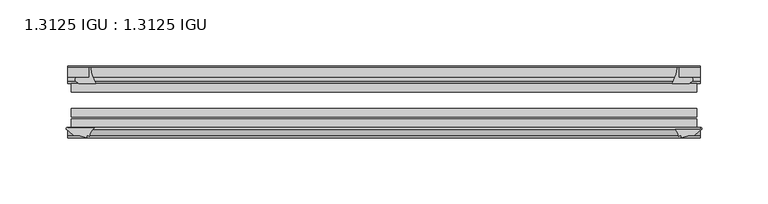
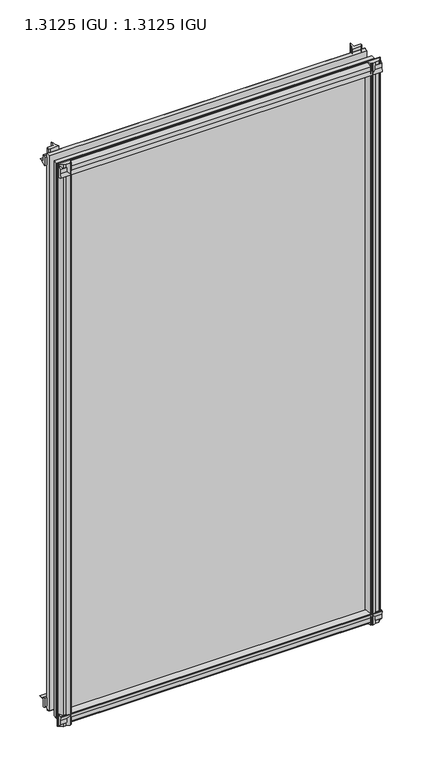
"""IFC4 building model written with IfcOpenShell, lengths in millimetres: plate geometry, 1.3125 IGU : 1.3125 IGU."""

from ifc_helpers import new_model, si_unit, point, frame, frame_2d, origin, place, context, project, spatial, polyline, circle_curve, trimmed, segment, composite_curve, outline, extrude, source, transform, mapped, element, save


def plate_1_3125_igu_1_3125_igu_eb586865(model_context):
    return source(origin(), model_context, "Body", "SweptSolid", [
        extrude(outline(composite_curve([segment(polyline([(-22.094825, 0.0), (-22.094825, -9.916835)]), True, "CONTINUOUS"), segment(trimmed(circle_curve(frame_2d((-23.669625, -9.916835)), 1.5748), [point((-22.094825, -9.916835))], [point((-24.8706146, -10.9354709))], False, "CARTESIAN"), True, "CONTINUOUS"), segment(polyline([(-24.8706146, -10.9354709), (-26.590625, -8.9075484), (-26.590625, 4.0446407)]), True, "CONTINUOUS"), segment(trimmed(circle_curve(frame_2d((-7.1839113, 38.4138813)), 39.4698015), [point((-26.590625, 4.0446407))], [point((-19.4504626, 0.8985917))], True, "CARTESIAN"), True, "CONTINUOUS"), segment(polyline([(-19.4504626, 0.8985917), (-13.3986538, 0.0), (-22.094825, 0.0)]), True, "CONTINUOUS")], self_intersect=False)), frame((-238.7893096, 0.0, 0.0), z_axis=(1.0, 0.0, 0.0), x_axis=(0.0, 1.0, 0.0)), (0.0, 0.0, 1.0), 477.5786192),
        extrude(outline(composite_curve([segment(trimmed(circle_curve(frame_2d((-67.8737919, 9.6311377)), 10.5748618), [point((-66.062225, -0.7874))], [point((-59.712225, 2.9068141))], True, "CARTESIAN"), True, "CONTINUOUS"), segment(polyline([(-59.712225, 2.9068141), (-59.712225, -18.0442511)]), True, "CONTINUOUS"), segment(trimmed(circle_curve(frame_2d((-60.728225, -18.0442511)), 1.016), [point((-59.712225, -18.0442511))], [point((-61.4950672, -18.7107412))], False, "CARTESIAN"), True, "CONTINUOUS"), segment(polyline([(-61.4950672, -18.7107412), (-66.062225, -13.4559149), (-66.062225, -7.4520336), (-67.637025, -1.5748), (-66.062225, -1.5748), (-66.062225, -0.7874)]), True, "CONTINUOUS")], self_intersect=False)), frame((-238.7893096, 0.0, 0.0), z_axis=(1.0, 0.0, 0.0), x_axis=(0.0, 1.0, 0.0)), (0.0, 0.0, 1.0), 477.5786192),
        extrude(outline(composite_curve([segment(polyline([(-66.062225, 857.9598774), (-61.4950672, 863.2147037)]), True, "CONTINUOUS"), segment(trimmed(circle_curve(frame_2d((-60.728225, 862.5482136)), 1.016), [point((-61.4950672, 863.2147037))], [point((-59.712225, 862.5482136))], False, "CARTESIAN"), True, "CONTINUOUS"), segment(polyline([(-59.712225, 862.5482136), (-59.712225, 842.0230921)]), True, "CONTINUOUS"), segment(trimmed(circle_curve(frame_2d((-66.4211348, 836.3932283)), 8.7581298), [point((-59.712225, 842.0230921))], [point((-66.062225, 845.1440009))], True, "CARTESIAN"), True, "CONTINUOUS"), segment(polyline([(-66.062225, 845.1440009), (-66.062225, 846.0787625), (-67.637025, 846.0787625), (-66.062225, 851.9559961), (-66.062225, 857.9598774)]), True, "CONTINUOUS")], self_intersect=False)), frame((-238.7893096, 0.0, 0.0), z_axis=(1.0, 0.0, 0.0), x_axis=(0.0, 1.0, 0.0)), (0.0, 0.0, 1.0), 477.5786192),
        extrude(outline(composite_curve([segment(polyline([(-26.590625, 840.4593218), (-26.590625, 853.4115109), (-24.8706146, 855.4394334)]), True, "CONTINUOUS"), segment(trimmed(circle_curve(frame_2d((-23.669625, 854.4207975)), 1.5748), [point((-24.8706146, 855.4394334))], [point((-22.094825, 854.4207975))], False, "CARTESIAN"), True, "CONTINUOUS"), segment(polyline([(-22.094825, 854.4207975), (-22.094825, 844.55), (-14.5883882, 844.55), (-18.3240316, 843.7633459)]), True, "CONTINUOUS"), segment(trimmed(circle_curve(frame_2d((-16.4585419, 831.134903)), 12.7654855), [point((-18.3240316, 843.7633459))], [point((-20.5939581, 843.2119869))], True, "CARTESIAN"), True, "CONTINUOUS"), segment(trimmed(circle_curve(frame_2d((-7.1839113, 806.0900812)), 39.4698015), [point((-20.5939581, 843.2119869))], [point((-26.590625, 840.4593218))], True, "CARTESIAN"), True, "CONTINUOUS")], self_intersect=False)), frame((-238.7893096, 0.0, 0.0), z_axis=(1.0, 0.0, 0.0), x_axis=(0.0, 1.0, 0.0)), (0.0, 0.0, 1.0), 477.5786192),
        extrude(outline(composite_curve([segment(polyline([(230.6283818, -26.590625), (217.6761926, -26.590625)]), True, "CONTINUOUS"), segment(trimmed(circle_curve(frame_2d((183.3069521, -7.1839113)), 39.4698015), [point((217.6761926, -26.590625))], [point((220.8222416, -19.4504626))], True, "CARTESIAN"), True, "CONTINUOUS"), segment(polyline([(220.8222416, -19.4504626), (221.4681167, -15.1006424)]), True, "CONTINUOUS"), segment(trimmed(circle_curve(frame_2d((222.2476021, -15.2120036)), 0.7874), [point((221.4681167, -15.1006424))], [point((222.5145833, -14.4712474))], False, "CARTESIAN"), True, "CONTINUOUS"), segment(polyline([(222.5145833, -14.4712474), (222.5145833, -22.094825), (231.6376683, -22.094825)]), True, "CONTINUOUS"), segment(trimmed(circle_curve(frame_2d((231.6376683, -23.669625)), 1.5748), [point((231.6376683, -22.094825))], [point((232.6563042, -24.8706146))], False, "CARTESIAN"), True, "CONTINUOUS"), segment(polyline([(232.6563042, -24.8706146), (230.6283818, -26.590625)]), True, "CONTINUOUS")], self_intersect=False)), frame((0.0, 0.0, -18.2728511), z_axis=(0.0, 0.0, 1.0), x_axis=(1.0, 0.0, 0.0)), (0.0, 0.0, 1.0), 882.1352548),
        extrude(outline(composite_curve([segment(polyline([(218.3698081, -59.712225), (238.9302349, -59.712225)]), True, "CONTINUOUS"), segment(trimmed(circle_curve(frame_2d((238.9302349, -60.728225)), 1.016), [point((238.9302349, -59.712225))], [point((239.5967249, -61.4950672))], False, "CARTESIAN"), True, "CONTINUOUS"), segment(polyline([(239.5967249, -61.4950672), (234.3418987, -66.062225), (230.3666669, -66.062225), (224.4894333, -67.637025), (224.4894333, -66.062225), (223.3990777, -66.062225)]), True, "CONTINUOUS"), segment(trimmed(circle_curve(frame_2d((223.3990777, -66.849625)), 0.7874), [point((223.3990777, -66.062225))], [point((222.6213719, -66.7264485))], True, "CARTESIAN"), True, "CONTINUOUS"), segment(trimmed(circle_curve(frame_2d((209.5560553, -69.8501675)), 13.4335445), [point((222.6213719, -66.7264485))], [point((218.3698081, -59.712225))], True, "CARTESIAN"), True, "CONTINUOUS")], self_intersect=False)), frame((0.0, 0.0, -18.2728511), z_axis=(0.0, 0.0, 1.0), x_axis=(1.0, 0.0, 0.0)), (0.0, 0.0, 1.0), 882.1352548),
        extrude(outline(composite_curve([segment(polyline([(-221.4681167, -15.1006424), (-220.9937017, -18.2957187)]), True, "CONTINUOUS"), segment(trimmed(circle_curve(frame_2d((-208.4314285, -16.4304327)), 12.7), [point((-220.9937017, -18.2957187))], [point((-220.4449569, -20.5493081))], True, "CARTESIAN"), True, "CONTINUOUS"), segment(trimmed(circle_curve(frame_2d((-183.3069521, -7.1839113)), 39.4698015), [point((-220.4449569, -20.5493081))], [point((-217.6761926, -26.590625))], True, "CARTESIAN"), True, "CONTINUOUS"), segment(polyline([(-217.6761926, -26.590625), (-230.6283818, -26.590625), (-232.6563042, -24.8706146)]), True, "CONTINUOUS"), segment(trimmed(circle_curve(frame_2d((-231.6376683, -23.669625)), 1.5748), [point((-232.6563042, -24.8706146))], [point((-231.6376683, -22.094825))], False, "CARTESIAN"), True, "CONTINUOUS"), segment(polyline([(-231.6376683, -22.094825), (-222.4828333, -22.094825), (-222.4828333, -14.4605617)]), True, "CONTINUOUS"), segment(trimmed(circle_curve(frame_2d((-222.2476021, -15.2120036)), 0.7874), [point((-222.4828333, -14.4605617))], [point((-221.4681167, -15.1006424))], False, "CARTESIAN"), True, "CONTINUOUS")], self_intersect=False)), frame((0.0, 0.0, -18.2728511), z_axis=(0.0, 0.0, 1.0), x_axis=(1.0, 0.0, 0.0)), (0.0, 0.0, 1.0), 882.4847648),
        extrude(outline(composite_curve([segment(trimmed(circle_curve(frame_2d((-209.5560553, -69.8501675)), 13.4335445), [point((-218.3698081, -59.712225))], [point((-222.6213719, -66.7264485))], True, "CARTESIAN"), True, "CONTINUOUS"), segment(trimmed(circle_curve(frame_2d((-223.3990777, -66.849625)), 0.7874), [point((-222.6213719, -66.7264485))], [point((-223.3990777, -66.062225))], True, "CARTESIAN"), True, "CONTINUOUS"), segment(polyline([(-223.3990777, -66.062225), (-224.4894333, -66.062225), (-224.4894333, -67.637025), (-230.3666669, -66.062225), (-234.3418987, -66.062225), (-239.5967249, -61.4950672)]), True, "CONTINUOUS"), segment(trimmed(circle_curve(frame_2d((-238.9302349, -60.728225)), 1.016), [point((-239.5967249, -61.4950672))], [point((-238.9302349, -59.712225))], False, "CARTESIAN"), True, "CONTINUOUS"), segment(polyline([(-238.9302349, -59.712225), (-218.3698081, -59.712225)]), True, "CONTINUOUS")], self_intersect=False)), frame((0.0, 0.0, -18.2728511), z_axis=(0.0, 0.0, 1.0), x_axis=(1.0, 0.0, 0.0)), (0.0, 0.0, 1.0), 882.4847648),
        extrude(outline(polyline([(-236.0083333, -26.590625), (236.0083333, -26.590625), (236.0083333, -32.889825), (-236.0083333, -32.889825), (-236.0083333, -26.590625)])), frame((0.0, 0.0, -12.8524), z_axis=(0.0, 0.0, 1.0), x_axis=(1.0, 0.0, 0.0)), (0.0, 0.0, 1.0), 871.6438625),
        extrude(outline(polyline([(236.0083333, -45.589825), (236.0083333, -51.889025), (-236.0083333, -51.889025), (-236.0083333, -45.589825), (236.0083333, -45.589825)])), frame((0.0, 0.0, -12.8524), z_axis=(0.0, 0.0, 1.0), x_axis=(1.0, 0.0, 0.0)), (0.0, 0.0, 1.0), 871.6438625),
        extrude(outline(polyline([(236.0083333, -53.413025), (236.0083333, -59.712225), (-236.0083333, -59.712225), (-236.0083333, -53.413025), (236.0083333, -53.413025)])), frame((0.0, 0.0, -12.8524), z_axis=(0.0, 0.0, 1.0), x_axis=(1.0, 0.0, 0.0)), (0.0, 0.0, 1.0), 871.6438625),
    ])


if __name__ == "__main__":
    model = new_model("IFC4")
    model_context = context("Model", 3, world=origin())
    ifc_project = project(units=[si_unit("LENGTHUNIT", "METRE", prefix="MILLI")], contexts=[model_context])
    site = spatial("IfcSite", under=ifc_project)
    building = spatial("IfcBuilding", under=site)
    placement = place(None, origin())
    plate_1_3125_igu_1_3125_igu_shape = plate_1_3125_igu_1_3125_igu_eb586865(model_context)
    element("IfcPlate", 1, ObjectType="1.3125 IGU : 1.3125 IGU", at=placement, inside=building, context=model_context, shape_type="MappedRepresentation", body=[
        mapped(plate_1_3125_igu_1_3125_igu_shape, transform((0.0, 0.0, 0.0), x_axis=(1.0, 0.0, 0.0), y_axis=(0.0, 1.0, 0.0), z_axis=(0.0, 0.0, 1.0))),
    ])
    save(model, "model.ifc")
